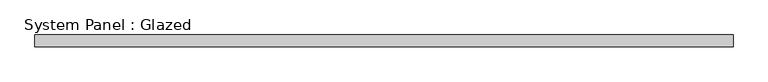
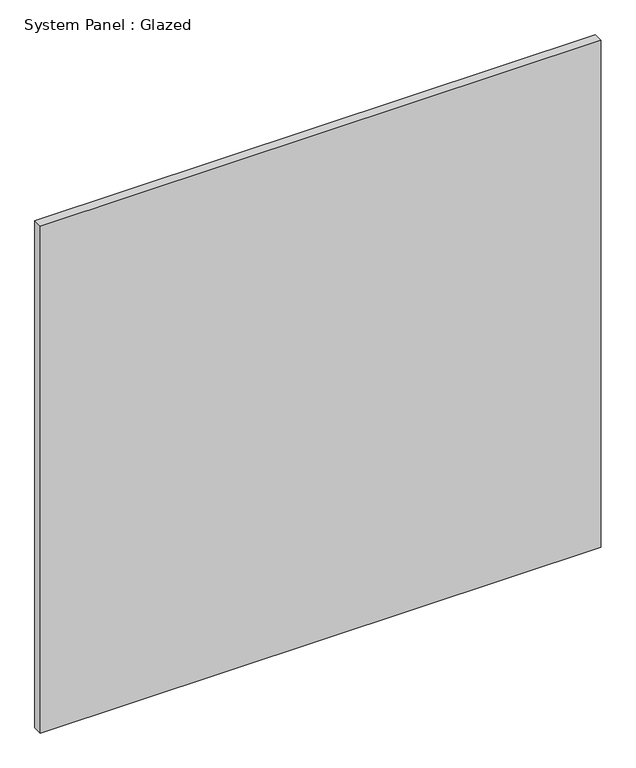
"""IFC4 building model written with IfcOpenShell, lengths in millimetres: plate geometry, System Panel : Glazed."""

from ifc_helpers import new_model, si_unit, origin, origin_with_axes, place, context, project, spatial, polyline, outline, extrude, source, transform, mapped, element, save


def system_panel_glazed_8e09e389(model_context):
    return source(origin(), model_context, "Body", "SweptSolid", [
        extrude(outline(polyline([(725.0, -49.5), (-725.0, -49.5), (-725.0, -24.5), (725.0, -24.5), (725.0, -49.5)])), origin_with_axes(), (0.0, 0.0, 1.0), 1386.3002388),
    ])


if __name__ == "__main__":
    model = new_model("IFC4")
    model_context = context("Model", 3, world=origin())
    ifc_project = project(units=[si_unit("LENGTHUNIT", "METRE", prefix="MILLI")], contexts=[model_context])
    site = spatial("IfcSite", under=ifc_project)
    building = spatial("IfcBuilding", under=site)
    placement = place(None, origin())
    system_panel_glazed_shape = system_panel_glazed_8e09e389(model_context)
    element("IfcPlate", 1, ObjectType="System Panel : Glazed", at=placement, inside=building, context=model_context, shape_type="MappedRepresentation", body=[
        mapped(system_panel_glazed_shape, transform((0.0, 0.0, 0.0), x_axis=(1.0, 0.0, 0.0), y_axis=(0.0, 1.0, 0.0), z_axis=(0.0, 0.0, 1.0))),
    ])
    save(model, "model.ifc")
